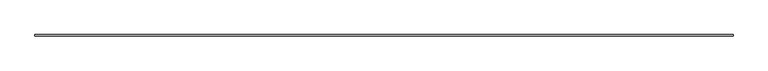
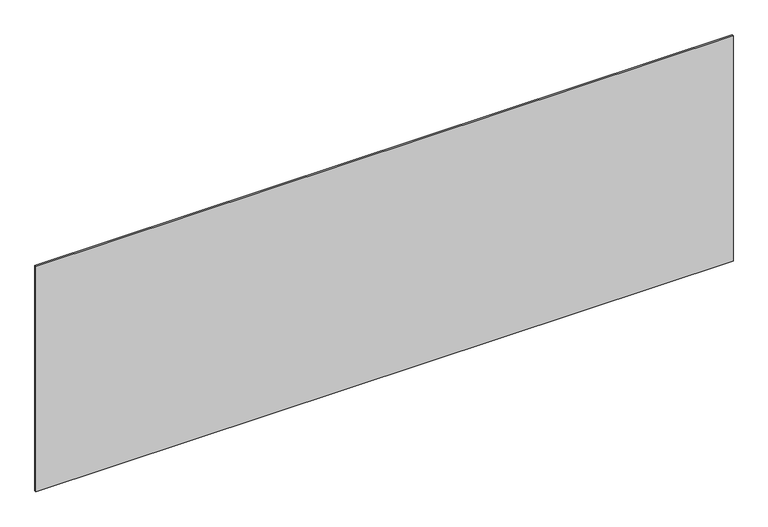
"""IFC4 building model written with IfcOpenShell, lengths in millimetres: plate geometry."""

from ifc_helpers import new_model, si_unit, origin, origin_with_axes, place, context, project, spatial, polyline, outline, extrude, source, transform, mapped, element, save


def plate_3dea5f32(model_context):
    return source(origin(), model_context, "Body", "SweptSolid", [
        extrude(outline(polyline([(2264.1666667, -5.0), (-2264.1666667, -5.0), (-2264.1666667, 5.0), (2264.1666667, 5.0), (2264.1666667, -5.0)])), origin_with_axes(), (0.0, 0.0, 1.0), 1548.9812503),
    ])


if __name__ == "__main__":
    model = new_model("IFC4")
    model_context = context("Model", 3, world=origin())
    ifc_project = project(units=[si_unit("LENGTHUNIT", "METRE", prefix="MILLI")], contexts=[model_context])
    site = spatial("IfcSite", under=ifc_project)
    building = spatial("IfcBuilding", under=site)
    placement = place(None, origin())
    plate_shape = plate_3dea5f32(model_context)
    element("IfcPlate", 1, at=placement, inside=building, context=model_context, shape_type="MappedRepresentation", body=[
        mapped(plate_shape, transform((0.0, 0.0, 0.0), x_axis=(1.0, 0.0, 0.0), y_axis=(0.0, 1.0, 0.0), z_axis=(0.0, 0.0, 1.0))),
    ])
    save(model, "model.ifc")
